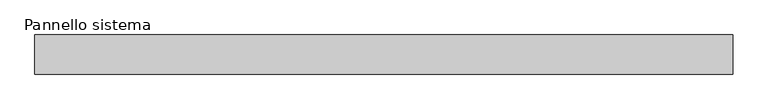
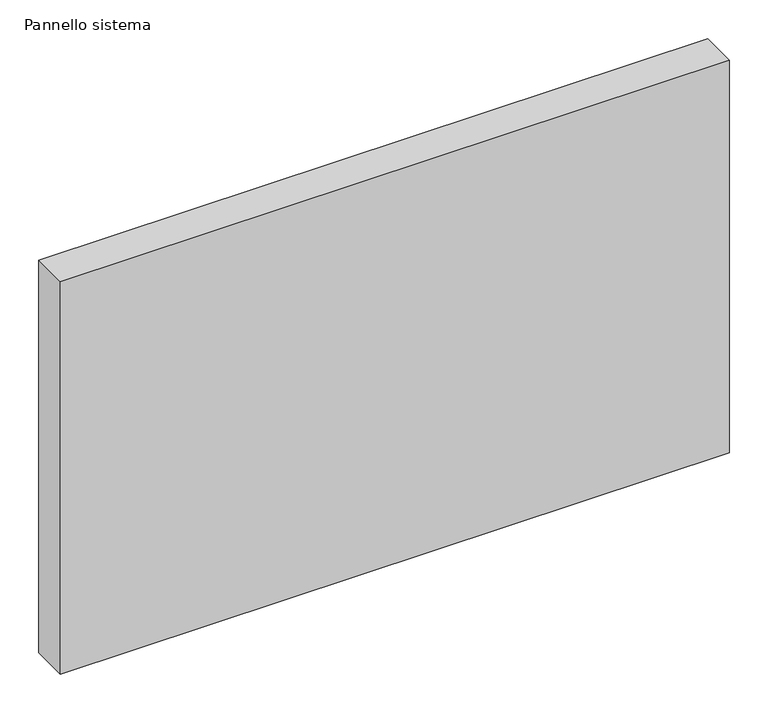
"""IFC4 building model written with IfcOpenShell, lengths in millimetres: plate geometry, Pannello sistema."""

from ifc_helpers import new_model, si_unit, origin, origin_with_axes, place, context, project, spatial, polyline, outline, extrude, source, transform, mapped, element, save


def pannello_sistema_8c9ea473(model_context):
    return source(origin(), model_context, "Body", "SweptSolid", [
        extrude(outline(polyline([(500.0, -28.0), (-500.0, -28.0), (-500.0, 28.0), (500.0, 28.0), (500.0, -28.0)])), origin_with_axes(), (0.0, 0.0, 1.0), 620.0),
    ])


if __name__ == "__main__":
    model = new_model("IFC4")
    model_context = context("Model", 3, world=origin())
    ifc_project = project(units=[si_unit("LENGTHUNIT", "METRE", prefix="MILLI")], contexts=[model_context])
    site = spatial("IfcSite", under=ifc_project)
    building = spatial("IfcBuilding", under=site)
    placement = place(None, origin())
    pannello_sistema_shape = pannello_sistema_8c9ea473(model_context)
    element("IfcPlate", 1, ObjectType="Pannello sistema", at=placement, inside=building, context=model_context, shape_type="MappedRepresentation", body=[
        mapped(pannello_sistema_shape, transform((0.0, 0.0, 0.0), x_axis=(1.0, 0.0, 0.0), y_axis=(0.0, 1.0, 0.0), z_axis=(0.0, 0.0, 1.0))),
    ])
    save(model, "model.ifc")
